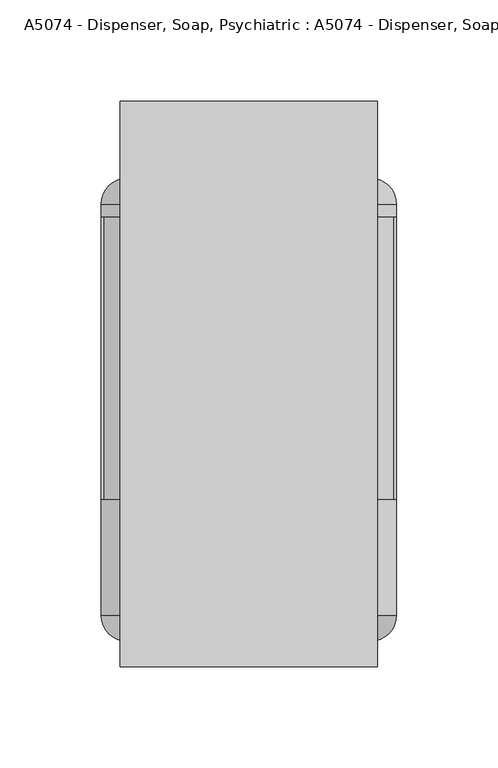
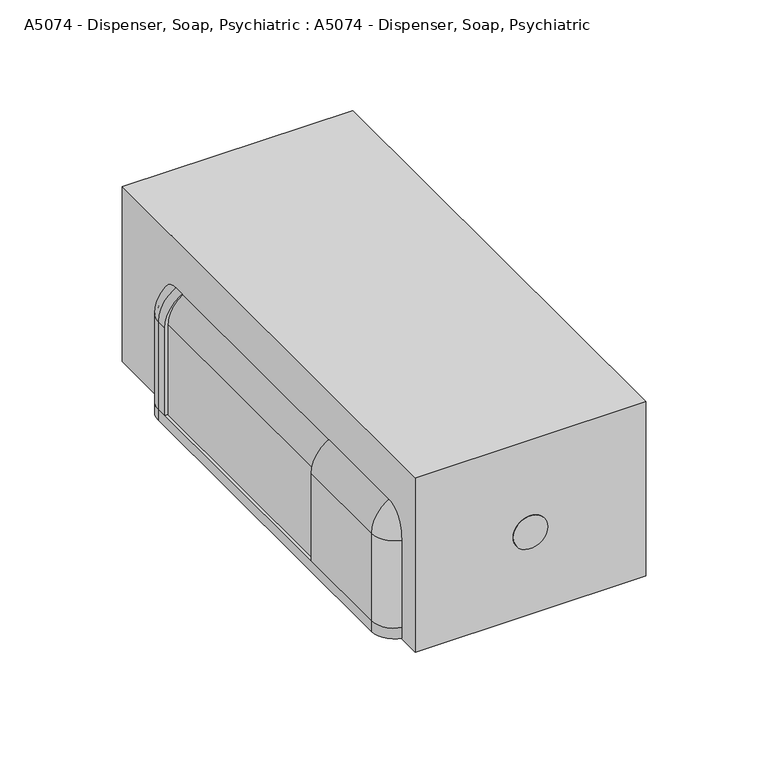
"""IFC4 building model written with IfcOpenShell, lengths in millimetres: proxy geometry, A5074 - Dispenser, Soap, Psychiatric : A5074 - Dispenser, Soap, Psychiatric."""

from ifc_helpers import new_model, si_unit, point, frame, frame_2d, origin, origin_with_axes, place, context, project, spatial, polyline, circle_curve, ellipse_curve, trimmed, segment, composite_curve, outline, extrude, source, transform, mapped, element, save
from ifc_brep_helpers import plane_surface, cylinder_surface, revolved_surface, advanced_brep


def a5074_dispenser_soap_psychiatric_a5074_dispenser_soap_adcc6def(model_context):
    return source(origin(), model_context, "Body", "SolidModel", [
        advanced_brep(
        [(-73.025, 25.4, 6.35), (-73.025, 82.55, 6.35), (-71.4375, 82.55, 6.35), (-71.4375, 25.4, 6.35), (-60.325, 14.2875, 6.35), (-60.325, 12.7, 6.35), (-73.025, 25.4, 57.15), (-73.025, 82.55, 57.15), (-53.975, 82.55, 76.2), (53.975, 82.55, 76.2), (73.025, 82.55, 57.15), (73.025, 82.55, 6.35), (71.4375, 82.55, 6.35), (71.4375, 82.55, 57.15), (53.975, 82.55, 74.6125), (-53.975, 82.55, 74.6125), (-71.4375, 82.55, 57.15), (-71.4375, 25.4, 57.15), (-60.325, 14.2875, 57.15), (-60.325, 12.7, 57.15), (-53.975, 25.4, 76.2), (-53.975, 25.4, 74.6125), (-53.975, 14.2875, 63.5), (-53.975, 12.7, 63.5), (53.975, 25.4, 76.2), (53.975, 25.4, 74.6125), (53.975, 14.2875, 63.5), (53.975, 12.7, 63.5), (73.025, 25.4, 57.15), (71.4375, 25.4, 57.15), (60.325, 14.2875, 57.15), (60.325, 12.7, 57.15), (73.025, 25.4, 6.35), (60.325, 12.7, 6.35), (60.325, 14.2875, 6.35), (71.4375, 25.4, 6.35)],
        [
            (0, 1),
            (1, 2),
            (2, 3),
            (3, 4, circle_curve(frame((-60.325, 25.4, 6.35), z_axis=(0.0, 0.0, 1.0), x_axis=(1.0, 0.0, 0.0)), 11.1125)),
            (4, 5),
            (5, 0, circle_curve(frame((-60.325, 25.4, 6.35), z_axis=(0.0, 0.0, -1.0), x_axis=(1.0, 0.0, 0.0)), 12.7)),
            (0, 6),
            (6, 7),
            (7, 1),
            (7, 8, circle_curve(frame((-53.975, 82.55, 57.15), z_axis=(0.0, 1.0, 0.0), x_axis=(-1.0, 0.0, 0.0)), 19.05)),
            (8, 9),
            (9, 10, circle_curve(frame((53.975, 82.55, 57.15), z_axis=(0.0, 1.0, 0.0), x_axis=(0.0, 0.0, 1.0)), 19.05)),
            (10, 11),
            (11, 12),
            (12, 13),
            (13, 14, circle_curve(frame((53.975, 82.55, 57.15), z_axis=(0.0, -1.0, 0.0), x_axis=(0.0, 0.0, 1.0)), 17.4625)),
            (14, 15),
            (15, 16, circle_curve(frame((-53.975, 82.55, 57.15), z_axis=(0.0, -1.0, 0.0), x_axis=(-1.0, 0.0, 0.0)), 17.4625)),
            (16, 2),
            (16, 17),
            (17, 3),
            (17, 18, circle_curve(frame((-60.325, 25.4, 57.15), z_axis=(0.0, 0.0, 1.0), x_axis=(1.0, 0.0, 0.0)), 11.1125)),
            (18, 4),
            (18, 19),
            (19, 5),
            (19, 6, circle_curve(frame((-60.325, 25.4, 57.15), z_axis=(0.0, 0.0, -1.0), x_axis=(1.0, 0.0, 0.0)), 12.7)),
            (6, 20, circle_curve(frame((-53.975, 25.4, 57.15), z_axis=(0.0, 1.0, 0.0), x_axis=(-1.0, 0.0, 0.0)), 19.05)),
            (20, 8),
            (21, 17, circle_curve(frame((-53.975, 25.4, 57.15), z_axis=(0.0, -1.0, 0.0), x_axis=(-1.0, 0.0, 0.0)), 17.4625)),
            (15, 21),
            (22, 18, circle_curve(frame((-53.975, 14.2875, 57.15), z_axis=(0.0, -1.0, 0.0), x_axis=(-1.0, 0.0, 0.0)), 6.35)),
            (21, 22, circle_curve(frame((-53.975, 25.4, 63.5), z_axis=(1.0, 0.0, 0.0), x_axis=(0.0, 0.0, -1.0)), 11.1125)),
            (23, 19, circle_curve(frame((-53.975, 12.7, 57.15), z_axis=(0.0, -1.0, 0.0), x_axis=(-1.0, 0.0, 0.0)), 6.35)),
            (22, 23),
            (23, 20, circle_curve(frame((-53.975, 25.4, 63.5), z_axis=(-1.0, 0.0, 0.0), x_axis=(0.0, 0.0, -1.0)), 12.7)),
            (20, 24),
            (24, 9),
            (14, 25),
            (25, 21),
            (25, 26, circle_curve(frame((53.975, 25.4, 63.5), z_axis=(1.0, 0.0, 0.0), x_axis=(0.0, 0.0, -1.0)), 11.1125)),
            (26, 22),
            (26, 27),
            (27, 23),
            (27, 24, circle_curve(frame((53.975, 25.4, 63.5), z_axis=(-1.0, 0.0, 0.0), x_axis=(0.0, 0.0, -1.0)), 12.7)),
            (24, 28, circle_curve(frame((53.975, 25.4, 57.15), z_axis=(0.0, 1.0, 0.0), x_axis=(0.0, 0.0, 1.0)), 19.05)),
            (28, 10),
            (29, 25, circle_curve(frame((53.975, 25.4, 57.15), z_axis=(0.0, -1.0, 0.0), x_axis=(0.0, 0.0, 1.0)), 17.4625)),
            (13, 29),
            (30, 26, circle_curve(frame((53.975, 14.2875, 57.15), z_axis=(0.0, -1.0, 0.0), x_axis=(0.0, 0.0, 1.0)), 6.35)),
            (29, 30, circle_curve(frame((60.325, 25.4, 57.15), z_axis=(0.0, 0.0, -1.0), x_axis=(-1.0, 0.0, 0.0)), 11.1125)),
            (31, 27, circle_curve(frame((53.975, 12.7, 57.15), z_axis=(0.0, -1.0, 0.0), x_axis=(0.0, 0.0, 1.0)), 6.35)),
            (30, 31),
            (31, 28, circle_curve(frame((60.325, 25.4, 57.15), z_axis=(0.0, 0.0, 1.0), x_axis=(-1.0, 0.0, 0.0)), 12.7)),
            (32, 33, circle_curve(frame((60.325, 25.4, 6.35), z_axis=(0.0, 0.0, -1.0), x_axis=(-1.0, 0.0, 0.0)), 12.7)),
            (33, 34),
            (34, 35, circle_curve(frame((60.325, 25.4, 6.35), z_axis=(0.0, 0.0, 1.0), x_axis=(-1.0, 0.0, 0.0)), 11.1125)),
            (35, 12),
            (11, 32),
            (28, 32),
            (35, 29),
            (34, 30),
            (33, 31),
        ],
        [
            plane_surface(frame((-73.025, 12.7, 6.35), z_axis=(0.0, 0.0, -1.0), x_axis=(0.0, 1.0, 0.0))),
            plane_surface(frame((-73.025, 25.4, 6.35), z_axis=(-1.0, 0.0, 0.0), x_axis=(0.0, 0.0, 1.0))),
            plane_surface(frame((-73.025, 82.55, 6.35), z_axis=(0.0, 1.0, 0.0), x_axis=(0.0, 0.0, 1.0))),
            plane_surface(frame((-71.4375, 82.55, 6.35), z_axis=(1.0, 0.0, 0.0), x_axis=(0.0, 0.0, 1.0))),
            revolved_surface(polyline([(-49.212500000000006, 25.4, 57.15), (-49.212500000000006, 25.4, 6.35)]), (-60.325, 25.4, 6.35), (0.0, 0.0, 1.0)),
            plane_surface(frame((-60.325, 14.2875, 6.35), z_axis=(1.0, 0.0, 0.0), x_axis=(0.0, 0.0, 1.0))),
            cylinder_surface(frame((-60.325, 25.4, 6.35), z_axis=(0.0, 0.0, -1.0), x_axis=(1.0, 0.0, 0.0)), 12.7),
            cylinder_surface(frame((-53.975, 12.7, 57.15), z_axis=(0.0, 1.0, 0.0), x_axis=(-1.0, 0.0, 0.0)), 19.05),
            revolved_surface(polyline([(-71.4375, 82.55, 57.15), (-71.4375, 25.4, 57.15)]), (-53.975, 12.7, 57.15), (0.0, 1.0, 0.0)),
            revolved_surface(trimmed(ellipse_curve(frame((-60.325, 25.4, 57.15), z_axis=(0.0, 0.0, 1.0), x_axis=(1.0, 0.0, 0.0)), 11.1125, 11.1125), [point((-71.4375, 25.4, 57.15))], [point((-60.325, 14.2875, 57.15))], True, "CARTESIAN"), (-53.975, 12.7, 57.15), (0.0, 1.0, 0.0)),
            revolved_surface(polyline([(-60.325, 14.2875, 57.15), (-60.325, 12.7, 57.15)]), (-53.975, 12.7, 57.15), (0.0, 1.0, 0.0)),
            revolved_surface(trimmed(ellipse_curve(frame((-60.325, 25.4, 57.15), z_axis=(0.0, 0.0, -1.0), x_axis=(1.0, 0.0, 0.0)), 12.7, 12.7), [point((-60.325, 12.7, 57.15))], [point((-73.025, 25.4, 57.15))], True, "CARTESIAN"), (-53.975, 12.7, 57.15), (0.0, 1.0, 0.0)),
            plane_surface(frame((-53.975, 25.4, 76.2), z_axis=(0.0, 0.0, 1.0), x_axis=(1.0, 0.0, 0.0))),
            plane_surface(frame((-53.975, 82.55, 74.6125), z_axis=(0.0, 0.0, -1.0), x_axis=(1.0, 0.0, 0.0))),
            revolved_surface(polyline([(53.975, 25.4, 52.3875), (-53.975, 25.4, 52.3875)]), (-53.975, 25.4, 63.5), (1.0, 0.0, 0.0)),
            plane_surface(frame((-53.975, 14.2875, 63.5), z_axis=(0.0, 0.0, -1.0), x_axis=(1.0, 0.0, 0.0))),
            cylinder_surface(frame((-53.975, 25.4, 63.5), z_axis=(-1.0, 0.0, 0.0), x_axis=(0.0, 0.0, -1.0)), 12.7),
            cylinder_surface(frame((53.975, 12.7, 57.15), z_axis=(0.0, 1.0, 0.0), x_axis=(0.0, 0.0, 1.0)), 19.05),
            revolved_surface(polyline([(53.975, 82.55, 74.6125), (53.975, 25.4, 74.6125)]), (53.975, 12.7, 57.15), (0.0, 1.0, 0.0)),
            revolved_surface(trimmed(ellipse_curve(frame((53.975, 25.4, 63.5), z_axis=(1.0, 0.0, 0.0), x_axis=(0.0, 0.0, -1.0)), 11.1125, 11.1125), [point((53.975, 25.4, 74.6125))], [point((53.975, 14.2875, 63.5))], True, "CARTESIAN"), (53.975, 12.7, 57.15), (0.0, 1.0, 0.0)),
            revolved_surface(polyline([(53.975, 14.2875, 63.5), (53.975, 12.7, 63.5)]), (53.975, 12.7, 57.15), (0.0, 1.0, 0.0)),
            revolved_surface(trimmed(ellipse_curve(frame((53.975, 25.4, 63.5), z_axis=(-1.0, 0.0, 0.0), x_axis=(0.0, 0.0, -1.0)), 12.7, 12.7), [point((53.975, 12.7, 63.5))], [point((53.975, 25.4, 76.2))], True, "CARTESIAN"), (53.975, 12.7, 57.15), (0.0, 1.0, 0.0)),
            plane_surface(frame((73.025, 12.7, 6.35), z_axis=(0.0, 0.0, -1.0), x_axis=(0.0, 1.0, 0.0))),
            plane_surface(frame((73.025, 25.4, 57.15), z_axis=(1.0, 0.0, 0.0), x_axis=(0.0, 0.0, -1.0))),
            plane_surface(frame((71.4375, 82.55, 57.15), z_axis=(-1.0, 0.0, 0.0), x_axis=(0.0, 0.0, -1.0))),
            revolved_surface(polyline([(49.212500000000006, 25.4, 6.350000000000001), (49.212500000000006, 25.4, 57.15)]), (60.325, 25.4, 57.15), (0.0, 0.0, -1.0)),
            plane_surface(frame((60.325, 14.2875, 57.15), z_axis=(-1.0, 0.0, 0.0), x_axis=(0.0, 0.0, -1.0))),
            cylinder_surface(frame((60.325, 25.4, 57.15), z_axis=(0.0, 0.0, 1.0), x_axis=(-1.0, 0.0, 0.0)), 12.7),
        ],
        [
            (0, [[1, 2, 3, 4, 5, 6]]),
            (1, [[-1, 7, 8, 9]]),
            (2, [[-2, -9, 10, 11, 12, 13, 14, 15, 16, 17, 18, 19]]),
            (3, [[-3, -19, 20, 21]]),
            (4, [[-4, -21, 22, 23]]),
            (5, [[-5, -23, 24, 25]]),
            (6, [[-6, -25, 26, -7]]),
            (7, [[-10, -8, 27, 28]]),
            (8, [[29, -20, -18, 30]]),
            (9, [[31, -22, -29, 32]]),
            (10, [[33, -24, -31, 34]]),
            (11, [[-27, -26, -33, 35]]),
            (12, [[-28, 36, 37, -11]]),
            (13, [[-30, -17, 38, 39]]),
            (14, [[-32, -39, 40, 41]]),
            (15, [[-34, -41, 42, 43]]),
            (16, [[-35, -43, 44, -36]]),
            (17, [[-12, -37, 45, 46]]),
            (18, [[47, -38, -16, 48]]),
            (19, [[49, -40, -47, 50]]),
            (20, [[51, -42, -49, 52]]),
            (21, [[-45, -44, -51, 53]]),
            (22, [[54, 55, 56, 57, -14, 58]]),
            (23, [[-46, 59, -58, -13]]),
            (24, [[-48, -15, -57, 60]]),
            (25, [[-50, -60, -56, 61]]),
            (26, [[-52, -61, -55, 62]]),
            (27, [[-53, -62, -54, -59]]),
        ],
    ),
        advanced_brep(
        [(-73.025, 228.6, 6.35), (-60.325, 241.3, 6.35), (-60.325, 239.7125, 6.35), (-71.4375, 228.6, 6.35), (-71.4375, 222.25, 6.35), (-73.025, 222.25, 6.35), (-73.025, 228.6, 57.15), (-60.325, 241.3, 57.15), (-60.325, 239.7125, 57.15), (-71.4375, 228.6, 57.15), (-71.4375, 222.25, 57.15), (-53.975, 222.25, 74.6125), (53.975, 222.25, 74.6125), (71.4375, 222.25, 57.15), (71.4375, 222.25, 6.35), (73.025, 222.25, 6.35), (73.025, 222.25, 57.15), (53.975, 222.25, 76.2), (-53.975, 222.25, 76.2), (-73.025, 222.25, 57.15), (-53.975, 241.3, 63.5), (-53.975, 228.6, 76.2), (-53.975, 239.7125, 63.5), (-53.975, 228.6, 74.6125), (53.975, 228.6, 76.2), (53.975, 241.3, 63.5), (53.975, 239.7125, 63.5), (53.975, 228.6, 74.6125), (60.325, 241.3, 57.15), (73.025, 228.6, 57.15), (60.325, 239.7125, 57.15), (71.4375, 228.6, 57.15), (73.025, 228.6, 6.35), (71.4375, 228.6, 6.35), (60.325, 239.7125, 6.35), (60.325, 241.3, 6.35)],
        [
            (0, 1, circle_curve(frame((-60.325, 228.6, 6.35), z_axis=(0.0, 0.0, -1.0), x_axis=(1.0, 0.0, 0.0)), 12.7)),
            (1, 2),
            (2, 3, circle_curve(frame((-60.325, 228.6, 6.35), z_axis=(0.0, 0.0, 1.0), x_axis=(1.0, 0.0, 0.0)), 11.1125)),
            (3, 4),
            (4, 5),
            (5, 0),
            (0, 6),
            (6, 7, circle_curve(frame((-60.325, 228.6, 57.15), z_axis=(0.0, 0.0, -1.0), x_axis=(1.0, 0.0, 0.0)), 12.7)),
            (7, 1),
            (7, 8),
            (8, 2),
            (8, 9, circle_curve(frame((-60.325, 228.6, 57.15), z_axis=(0.0, 0.0, 1.0), x_axis=(1.0, 0.0, 0.0)), 11.1125)),
            (9, 3),
            (9, 10),
            (10, 4),
            (10, 11, circle_curve(frame((-53.975, 222.25, 57.15), z_axis=(0.0, 1.0, 0.0), x_axis=(-1.0, 0.0, 0.0)), 17.4625)),
            (11, 12),
            (12, 13, circle_curve(frame((53.975, 222.25, 57.15), z_axis=(0.0, 1.0, 0.0), x_axis=(0.0, 0.0, 1.0)), 17.4625)),
            (13, 14),
            (14, 15),
            (15, 16),
            (16, 17, circle_curve(frame((53.975, 222.25, 57.15), z_axis=(0.0, -1.0, 0.0), x_axis=(0.0, 0.0, 1.0)), 19.05)),
            (17, 18),
            (18, 19, circle_curve(frame((-53.975, 222.25, 57.15), z_axis=(0.0, -1.0, 0.0), x_axis=(-1.0, 0.0, 0.0)), 19.05)),
            (19, 5),
            (19, 6),
            (20, 7, circle_curve(frame((-53.975, 241.3, 57.15), z_axis=(0.0, -1.0, 0.0), x_axis=(-1.0, 0.0, 0.0)), 6.35)),
            (6, 21, circle_curve(frame((-53.975, 228.6, 57.15), z_axis=(0.0, 1.0, 0.0), x_axis=(-1.0, 0.0, 0.0)), 19.05)),
            (21, 20, circle_curve(frame((-53.975, 228.6, 63.5), z_axis=(-1.0, 0.0, 0.0), x_axis=(0.0, 0.0, -1.0)), 12.7)),
            (22, 8, circle_curve(frame((-53.975, 239.7125, 57.15), z_axis=(0.0, -1.0, 0.0), x_axis=(-1.0, 0.0, 0.0)), 6.35)),
            (20, 22),
            (23, 9, circle_curve(frame((-53.975, 228.6, 57.15), z_axis=(0.0, -1.0, 0.0), x_axis=(-1.0, 0.0, 0.0)), 17.4625)),
            (22, 23, circle_curve(frame((-53.975, 228.6, 63.5), z_axis=(1.0, 0.0, 0.0), x_axis=(0.0, 0.0, -1.0)), 11.1125)),
            (23, 11),
            (18, 21),
            (21, 24),
            (24, 25, circle_curve(frame((53.975, 228.6, 63.5), z_axis=(-1.0, 0.0, 0.0), x_axis=(0.0, 0.0, -1.0)), 12.7)),
            (25, 20),
            (25, 26),
            (26, 22),
            (26, 27, circle_curve(frame((53.975, 228.6, 63.5), z_axis=(1.0, 0.0, 0.0), x_axis=(0.0, 0.0, -1.0)), 11.1125)),
            (27, 23),
            (27, 12),
            (17, 24),
            (28, 25, circle_curve(frame((53.975, 241.3, 57.15), z_axis=(0.0, -1.0, 0.0), x_axis=(0.0, 0.0, 1.0)), 6.35)),
            (24, 29, circle_curve(frame((53.975, 228.6, 57.15), z_axis=(0.0, 1.0, 0.0), x_axis=(0.0, 0.0, 1.0)), 19.05)),
            (29, 28, circle_curve(frame((60.325, 228.6, 57.15), z_axis=(0.0, 0.0, 1.0), x_axis=(-1.0, 0.0, 0.0)), 12.7)),
            (30, 26, circle_curve(frame((53.975, 239.7125, 57.15), z_axis=(0.0, -1.0, 0.0), x_axis=(0.0, 0.0, 1.0)), 6.35)),
            (28, 30),
            (31, 27, circle_curve(frame((53.975, 228.6, 57.15), z_axis=(0.0, -1.0, 0.0), x_axis=(0.0, 0.0, 1.0)), 17.4625)),
            (30, 31, circle_curve(frame((60.325, 228.6, 57.15), z_axis=(0.0, 0.0, -1.0), x_axis=(-1.0, 0.0, 0.0)), 11.1125)),
            (31, 13),
            (16, 29),
            (32, 15),
            (14, 33),
            (33, 34, circle_curve(frame((60.325, 228.6, 6.35), z_axis=(0.0, 0.0, 1.0), x_axis=(-1.0, 0.0, 0.0)), 11.1125)),
            (34, 35),
            (35, 32, circle_curve(frame((60.325, 228.6, 6.35), z_axis=(0.0, 0.0, -1.0), x_axis=(-1.0, 0.0, 0.0)), 12.7)),
            (29, 32),
            (35, 28),
            (34, 30),
            (33, 31),
        ],
        [
            plane_surface(frame((-73.025, 241.3, 6.35), z_axis=(0.0, 0.0, -1.0), x_axis=(0.0, 1.0, 0.0))),
            cylinder_surface(frame((-60.325, 228.6, 6.35), z_axis=(0.0, 0.0, -1.0), x_axis=(1.0, 0.0, 0.0)), 12.7),
            plane_surface(frame((-60.325, 241.3, 6.35), z_axis=(1.0, 0.0, 0.0), x_axis=(0.0, 0.0, 1.0))),
            revolved_surface(polyline([(-49.212500000000006, 228.6, 57.15), (-49.212500000000006, 228.6, 6.35)]), (-60.325, 228.6, 6.35), (0.0, 0.0, 1.0)),
            plane_surface(frame((-71.4375, 228.6, 6.35), z_axis=(1.0, 0.0, 0.0), x_axis=(0.0, 0.0, 1.0))),
            plane_surface(frame((-71.4375, 222.25, 6.35), z_axis=(0.0, -1.0, 0.0), x_axis=(0.0, 0.0, 1.0))),
            plane_surface(frame((-73.025, 222.25, 6.35), z_axis=(-1.0, 0.0, 0.0), x_axis=(0.0, 0.0, 1.0))),
            revolved_surface(trimmed(ellipse_curve(frame((-60.325, 228.6, 57.15), z_axis=(0.0, 0.0, -1.0), x_axis=(1.0, 0.0, 0.0)), 12.7, 12.7), [point((-73.025, 228.6, 57.15))], [point((-60.325, 241.3, 57.15))], True, "CARTESIAN"), (-53.975, 241.3, 57.15), (0.0, 1.0, 0.0)),
            revolved_surface(polyline([(-60.325, 241.3, 57.15), (-60.325, 239.7125, 57.15)]), (-53.975, 241.3, 57.15), (0.0, 1.0, 0.0)),
            revolved_surface(trimmed(ellipse_curve(frame((-60.325, 228.6, 57.15), z_axis=(0.0, 0.0, 1.0), x_axis=(1.0, 0.0, 0.0)), 11.1125, 11.1125), [point((-60.325, 239.7125, 57.15))], [point((-71.4375, 228.6, 57.15))], True, "CARTESIAN"), (-53.975, 241.3, 57.15), (0.0, 1.0, 0.0)),
            revolved_surface(polyline([(-71.4375, 228.6, 57.15), (-71.4375, 222.25, 57.15)]), (-53.975, 241.3, 57.15), (0.0, 1.0, 0.0)),
            cylinder_surface(frame((-53.975, 241.3, 57.15), z_axis=(0.0, 1.0, 0.0), x_axis=(-1.0, 0.0, 0.0)), 19.05),
            cylinder_surface(frame((-53.975, 228.6, 63.5), z_axis=(-1.0, 0.0, 0.0), x_axis=(0.0, 0.0, -1.0)), 12.7),
            plane_surface(frame((-53.975, 241.3, 63.5), z_axis=(0.0, 0.0, -1.0), x_axis=(1.0, 0.0, 0.0))),
            revolved_surface(polyline([(53.975, 228.6, 52.3875), (-53.975, 228.6, 52.3875)]), (-53.975, 228.6, 63.5), (1.0, 0.0, 0.0)),
            plane_surface(frame((-53.975, 228.6, 74.6125), z_axis=(0.0, 0.0, -1.0), x_axis=(1.0, 0.0, 0.0))),
            plane_surface(frame((-53.975, 222.25, 76.2), z_axis=(0.0, 0.0, 1.0), x_axis=(1.0, 0.0, 0.0))),
            revolved_surface(trimmed(ellipse_curve(frame((53.975, 228.6, 63.5), z_axis=(-1.0, 0.0, 0.0), x_axis=(0.0, 0.0, -1.0)), 12.7, 12.7), [point((53.975, 228.6, 76.2))], [point((53.975, 241.3, 63.5))], True, "CARTESIAN"), (53.975, 241.3, 57.15), (0.0, 1.0, 0.0)),
            revolved_surface(polyline([(53.975, 241.3, 63.5), (53.975, 239.7125, 63.5)]), (53.975, 241.3, 57.15), (0.0, 1.0, 0.0)),
            revolved_surface(trimmed(ellipse_curve(frame((53.975, 228.6, 63.5), z_axis=(1.0, 0.0, 0.0), x_axis=(0.0, 0.0, -1.0)), 11.1125, 11.1125), [point((53.975, 239.7125, 63.5))], [point((53.975, 228.6, 74.6125))], True, "CARTESIAN"), (53.975, 241.3, 57.15), (0.0, 1.0, 0.0)),
            revolved_surface(polyline([(53.975, 228.6, 74.6125), (53.975, 222.25, 74.6125)]), (53.975, 241.3, 57.15), (0.0, 1.0, 0.0)),
            cylinder_surface(frame((53.975, 241.3, 57.15), z_axis=(0.0, 1.0, 0.0), x_axis=(0.0, 0.0, 1.0)), 19.05),
            plane_surface(frame((73.025, 241.3, 6.35), z_axis=(0.0, 0.0, -1.0), x_axis=(0.0, 1.0, 0.0))),
            cylinder_surface(frame((60.325, 228.6, 57.15), z_axis=(0.0, 0.0, 1.0), x_axis=(-1.0, 0.0, 0.0)), 12.7),
            plane_surface(frame((60.325, 241.3, 57.15), z_axis=(-1.0, 0.0, 0.0), x_axis=(0.0, 0.0, -1.0))),
            revolved_surface(polyline([(49.212500000000006, 228.6, 6.350000000000001), (49.212500000000006, 228.6, 57.15)]), (60.325, 228.6, 57.15), (0.0, 0.0, -1.0)),
            plane_surface(frame((71.4375, 228.6, 57.15), z_axis=(-1.0, 0.0, 0.0), x_axis=(0.0, 0.0, -1.0))),
            plane_surface(frame((73.025, 222.25, 57.15), z_axis=(1.0, 0.0, 0.0), x_axis=(0.0, 0.0, -1.0))),
        ],
        [
            (0, [[1, 2, 3, 4, 5, 6]]),
            (1, [[-1, 7, 8, 9]]),
            (2, [[-2, -9, 10, 11]]),
            (3, [[-3, -11, 12, 13]]),
            (4, [[-4, -13, 14, 15]]),
            (5, [[-5, -15, 16, 17, 18, 19, 20, 21, 22, 23, 24, 25]]),
            (6, [[-6, -25, 26, -7]]),
            (7, [[27, -8, 28, 29]]),
            (8, [[30, -10, -27, 31]]),
            (9, [[32, -12, -30, 33]]),
            (10, [[-16, -14, -32, 34]]),
            (11, [[-28, -26, -24, 35]]),
            (12, [[-29, 36, 37, 38]]),
            (13, [[-31, -38, 39, 40]]),
            (14, [[-33, -40, 41, 42]]),
            (15, [[-34, -42, 43, -17]]),
            (16, [[-35, -23, 44, -36]]),
            (17, [[45, -37, 46, 47]]),
            (18, [[48, -39, -45, 49]]),
            (19, [[50, -41, -48, 51]]),
            (20, [[-18, -43, -50, 52]]),
            (21, [[-46, -44, -22, 53]]),
            (22, [[54, -20, 55, 56, 57, 58]]),
            (23, [[-47, 59, -58, 60]]),
            (24, [[-49, -60, -57, 61]]),
            (25, [[-51, -61, -56, 62]]),
            (26, [[-52, -62, -55, -19]]),
            (27, [[-53, -21, -54, -59]]),
        ],
    ),
        extrude(outline(composite_curve([segment(polyline([(76.2, 53.975), (76.2, -53.975)]), True, "CONTINUOUS"), segment(trimmed(circle_curve(frame_2d((58.7375, -53.975)), 17.4625), [point((76.2, -53.975))], [point((58.7375, -71.4375))], False, "CARTESIAN"), True, "CONTINUOUS"), segment(polyline([(58.7375, -71.4375), (6.35, -71.4375), (6.35, 71.4375), (58.7375, 71.4375)]), True, "CONTINUOUS"), segment(trimmed(circle_curve(frame_2d((58.7375, 53.975)), 17.4625), [point((58.7375, 71.4375))], [point((76.2, 53.975))], False, "CARTESIAN"), True, "CONTINUOUS")], self_intersect=False)), frame((0.0, 82.55, 0.0), z_axis=(0.0, 1.0, 0.0), x_axis=(0.0, 0.0, 1.0)), (0.0, 0.0, 1.0), 139.7),
        extrude(outline(composite_curve([segment(trimmed(circle_curve(frame_2d((47.625, 0.0)), 9.525), [point((47.625, -9.525))], [point((47.625, 9.525))], False, "CARTESIAN"), True, "CONTINUOUS"), segment(trimmed(circle_curve(frame_2d((47.625, 0.0)), 9.525), [point((47.625, 9.525))], [point((47.625, -9.525))], False, "CARTESIAN"), True, "CONTINUOUS")], self_intersect=False)), frame((0.0, 0.0, 0.0), z_axis=(0.0, 1.0, 0.0), x_axis=(0.0, 0.0, 1.0)), (0.0, 0.0, 1.0), 12.7),
        extrude(outline(composite_curve([segment(polyline([(-9.525, 50.8), (9.525, 50.8)]), True, "CONTINUOUS"), segment(trimmed(circle_curve(frame_2d((9.525, 41.275)), 9.525), [point((9.525, 50.8))], [point((9.525, 31.75))], False, "CARTESIAN"), True, "CONTINUOUS"), segment(polyline([(9.525, 31.75), (-9.525, 31.75)]), True, "CONTINUOUS"), segment(trimmed(circle_curve(frame_2d((-9.525, 41.275)), 9.525), [point((-9.525, 31.75))], [point((-9.525, 50.8))], False, "CARTESIAN"), True, "CONTINUOUS")], self_intersect=False)), frame((0.0, 0.0, 76.2), z_axis=(0.0, 0.0, 1.0), x_axis=(1.0, 0.0, 0.0)), (0.0, 0.0, 1.0), 12.7),
        extrude(outline(composite_curve([segment(polyline([(6.35, -60.325), (6.35, 60.325), (57.15, 60.325)]), True, "CONTINUOUS"), segment(trimmed(circle_curve(frame_2d((57.15, 53.975)), 6.35), [point((57.15, 60.325))], [point((63.5, 53.975))], False, "CARTESIAN"), True, "CONTINUOUS"), segment(polyline([(63.5, 53.975), (63.5, -53.975)]), True, "CONTINUOUS"), segment(trimmed(circle_curve(frame_2d((57.15, -53.975)), 6.35), [point((63.5, -53.975))], [point((57.15, -60.325))], False, "CARTESIAN"), True, "CONTINUOUS"), segment(polyline([(57.15, -60.325), (6.35, -60.325)]), True, "CONTINUOUS")], self_intersect=False)), frame((0.0, 12.7, 0.0), z_axis=(0.0, 1.0, 0.0), x_axis=(0.0, 0.0, 1.0)), (0.0, 0.0, 1.0), 1.5875),
        extrude(outline(composite_curve([segment(polyline([(-60.325, 241.3), (60.325, 241.3)]), True, "CONTINUOUS"), segment(trimmed(circle_curve(frame_2d((60.325, 228.6)), 12.7), [point((60.325, 241.3))], [point((73.025, 228.6))], False, "CARTESIAN"), True, "CONTINUOUS"), segment(polyline([(73.025, 228.6), (73.025, 25.4)]), True, "CONTINUOUS"), segment(trimmed(circle_curve(frame_2d((60.325, 25.4)), 12.7), [point((73.025, 25.4))], [point((60.325, 12.7))], False, "CARTESIAN"), True, "CONTINUOUS"), segment(polyline([(60.325, 12.7), (-60.325, 12.7)]), True, "CONTINUOUS"), segment(trimmed(circle_curve(frame_2d((-60.325, 25.4)), 12.7), [point((-60.325, 12.7))], [point((-73.025, 25.4))], False, "CARTESIAN"), True, "CONTINUOUS"), segment(polyline([(-73.025, 25.4), (-73.025, 228.6)]), True, "CONTINUOUS"), segment(trimmed(circle_curve(frame_2d((-60.325, 228.6)), 12.7), [point((-73.025, 228.6))], [point((-60.325, 241.3))], False, "CARTESIAN"), True, "CONTINUOUS")], self_intersect=False)), origin_with_axes(), (0.0, 0.0, 1.0), 6.35),
        extrude(outline(polyline([(63.5, 279.4), (63.5, 0.0), (-63.5, 0.0), (-63.5, 279.4), (63.5, 279.4)])), origin_with_axes(), (0.0, 0.0, 1.0), 101.6),
        extrude(outline(composite_curve([segment(polyline([(6.35, -60.325), (6.35, 60.325), (57.15, 60.325)]), True, "CONTINUOUS"), segment(trimmed(circle_curve(frame_2d((57.15, 53.975)), 6.35), [point((57.15, 60.325))], [point((63.5, 53.975))], False, "CARTESIAN"), True, "CONTINUOUS"), segment(polyline([(63.5, 53.975), (63.5, -53.975)]), True, "CONTINUOUS"), segment(trimmed(circle_curve(frame_2d((57.15, -53.975)), 6.35), [point((63.5, -53.975))], [point((57.15, -60.325))], False, "CARTESIAN"), True, "CONTINUOUS"), segment(polyline([(57.15, -60.325), (6.35, -60.325)]), True, "CONTINUOUS")], self_intersect=False)), frame((0.0, 239.7125, 0.0), z_axis=(0.0, 1.0, 0.0), x_axis=(0.0, 0.0, 1.0)), (0.0, 0.0, 1.0), 1.5875),
    ])


if __name__ == "__main__":
    model = new_model("IFC4")
    model_context = context("Model", 3, world=origin())
    ifc_project = project(units=[si_unit("LENGTHUNIT", "METRE", prefix="MILLI")], contexts=[model_context])
    site = spatial("IfcSite", under=ifc_project)
    building = spatial("IfcBuilding", under=site)
    placement = place(None, origin())
    a5074_dispenser_soap_psychiatric_a5074_dispenser_soap_shape = a5074_dispenser_soap_psychiatric_a5074_dispenser_soap_adcc6def(model_context)
    element("IfcBuildingElementProxy", 1, Name="A5074 - Dispenser, Soap, Psychiatric : A5074 - Dispenser, Soap, Psychiatric", ObjectType="A5074 - Dispenser, Soap, Psychiatric : A5074 - Dispenser, Soap, Psychiatric", at=placement, inside=building, context=model_context, shape_type="MappedRepresentation", body=[
        mapped(a5074_dispenser_soap_psychiatric_a5074_dispenser_soap_shape, transform((0.0, 0.0, 0.0), x_axis=(1.0, 0.0, 0.0), y_axis=(0.0, 1.0, 0.0), z_axis=(0.0, 0.0, 1.0))),
    ])
    save(model, "model.ifc")
